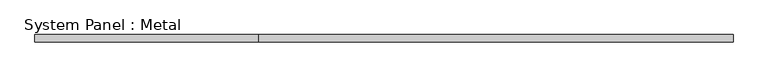
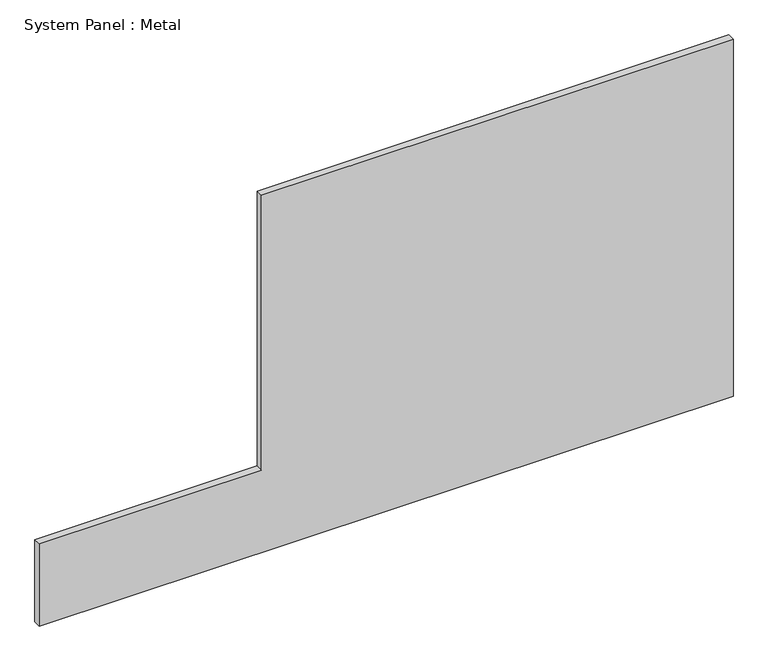
"""IFC4 building model written with IfcOpenShell, lengths in millimetres: plate geometry, System Panel : Metal."""

from ifc_helpers import new_model, si_unit, frame, origin, place, context, project, spatial, polyline, outline, extrude, source, transform, mapped, element, save


def system_panel_metal_e5814aec(model_context):
    return source(origin(), model_context, "Body", "SweptSolid", [
        extrude(outline(polyline([(0.0, -776.496733), (0.0, 776.496733), (845.0, 776.496733), (845.0, -279.0620547), (195.0, -279.0620547), (195.0, -776.496733), (0.0, -776.496733)])), frame((0.0, -85.0, 0.0), z_axis=(0.0, 1.0, 0.0), x_axis=(0.0, 0.0, 1.0)), (0.0, 0.0, 1.0), 16.0),
    ])


if __name__ == "__main__":
    model = new_model("IFC4")
    model_context = context("Model", 3, world=origin())
    ifc_project = project(units=[si_unit("LENGTHUNIT", "METRE", prefix="MILLI")], contexts=[model_context])
    site = spatial("IfcSite", under=ifc_project)
    building = spatial("IfcBuilding", under=site)
    placement = place(None, origin())
    system_panel_metal_shape = system_panel_metal_e5814aec(model_context)
    element("IfcPlate", 1, ObjectType="System Panel : Metal", at=placement, inside=building, context=model_context, shape_type="MappedRepresentation", body=[
        mapped(system_panel_metal_shape, transform((0.0, 0.0, 0.0), x_axis=(1.0, 0.0, 0.0), y_axis=(0.0, 1.0, 0.0), z_axis=(0.0, 0.0, 1.0))),
    ])
    save(model, "model.ifc")
